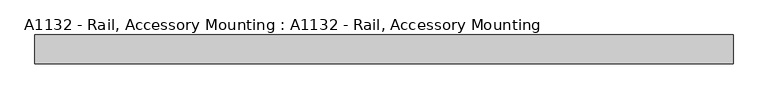
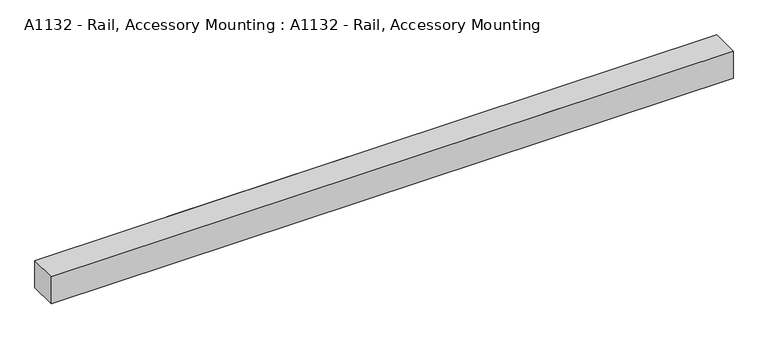
"""IFC4 building model written with IfcOpenShell, lengths in millimetres: proxy geometry, A1132 - Rail, Accessory Mounting : A1132 - Rail, Accessory Mounting."""

from ifc_helpers import new_model, si_unit, frame, origin, origin_with_axes, place, context, project, spatial, polyline, outline, extrude, source, transform, mapped, element, save


def a1132_rail_accessory_mounting_a1132_rail_accessory_mounting_154dbdd7(model_context):
    return source(origin(), model_context, "Body", "SweptSolid", [
        extrude(outline(polyline([(609.6, -50.8), (-609.6, -50.8), (-609.6, 0.0), (609.6, 0.0), (609.6, -50.8)])), origin_with_axes(), (0.0, 0.0, 1.0), 50.8),
        extrude(outline(polyline([(-12.7, 25.4), (-12.7, 0.0), (-38.1, 0.0), (-38.1, 25.4), (-50.8, 25.4), (-50.8, 50.8), (0.0, 50.8), (0.0, 25.4), (-12.7, 25.4)])), frame((-373.663201, 0.0, 0.0), z_axis=(1.0, 0.0, 0.0), x_axis=(0.0, 1.0, 0.0)), (0.0, 0.0, 1.0), 747.326402),
    ])


if __name__ == "__main__":
    model = new_model("IFC4")
    model_context = context("Model", 3, world=origin())
    ifc_project = project(units=[si_unit("LENGTHUNIT", "METRE", prefix="MILLI")], contexts=[model_context])
    site = spatial("IfcSite", under=ifc_project)
    building = spatial("IfcBuilding", under=site)
    placement = place(None, origin())
    a1132_rail_accessory_mounting_a1132_rail_accessory_mounting_shape = a1132_rail_accessory_mounting_a1132_rail_accessory_mounting_154dbdd7(model_context)
    element("IfcBuildingElementProxy", 1, Name="A1132 - Rail, Accessory Mounting : A1132 - Rail, Accessory Mounting", ObjectType="A1132 - Rail, Accessory Mounting : A1132 - Rail, Accessory Mounting", at=placement, inside=building, context=model_context, shape_type="MappedRepresentation", body=[
        mapped(a1132_rail_accessory_mounting_a1132_rail_accessory_mounting_shape, transform((0.0, 0.0, 0.0), x_axis=(1.0, 0.0, 0.0), y_axis=(0.0, 1.0, 0.0), z_axis=(0.0, 0.0, 1.0))),
    ])
    save(model, "model.ifc")
